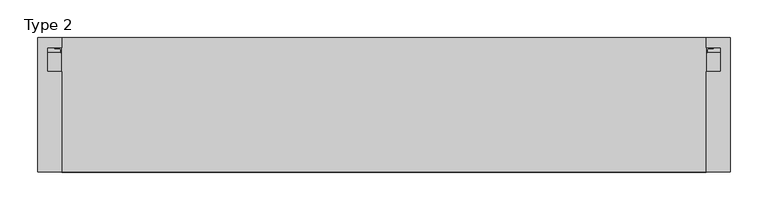
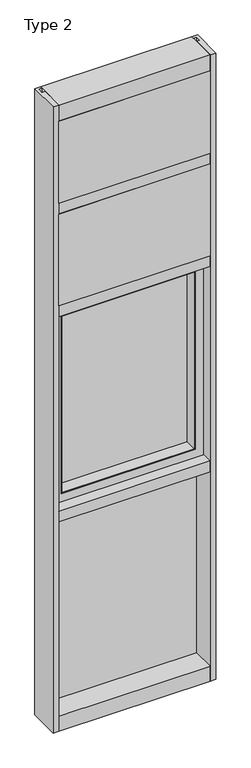
"""IFC4 building model written with IfcOpenShell, lengths in millimetres: plate geometry, Type 2."""

import ifcopenshell
import ifcopenshell.guid

model = None  # the IFC model being written
_history = None  # IfcOwnerHistory: only IFC2X3 demands one
_inside = {}  # id of a spatial element -> (the spatial element, [elements in it])
_under = {}  # id of a project, library or spatial element -> (it, [spatial elements below it])
_declared = {}  # id of a project -> (the project, [libraries it declares])
_typed = {}  # id of a type object -> (the type object, [elements of that type])
_made_of = {}  # id of a material, layer set ... -> (it, [elements and type objects made of it])


def new_model(schema):
    """Start an empty IFC model of exactly this schema.

    Asked for "IFC4X3", IfcOpenShell would pick the latest addendum, in which some entities
    have other attributes; the version numbers below select the first issue.
    IFC2X3 requires an IfcOwnerHistory on every rooted entity: one is made here for all.
    """
    global model, _history
    if schema == "IFC4X3":
        model = ifcopenshell.file(schema_version=(4, 3, 0, 0))
    else:
        model = ifcopenshell.file(schema=schema)
    _inside.clear()
    _under.clear()
    _declared.clear()
    _typed.clear()
    _made_of.clear()
    _history = None
    if model.schema == "IFC2X3":
        org = make("IfcOrganization", Name="unknown")
        user = make(
            "IfcPersonAndOrganization",
            ThePerson=make("IfcPerson", FamilyName="unknown"),
            TheOrganization=org,
        )
        app = make(
            "IfcApplication",
            ApplicationDeveloper=org,
            Version="unknown",
            ApplicationFullName="unknown",
            ApplicationIdentifier="unknown",
        )
        _history = make(
            "IfcOwnerHistory",
            OwningUser=user,
            OwningApplication=app,
            ChangeAction="ADDED",
            CreationDate=0,
        )
    return model


def make(cls, **values):
    """One entity of the class cls with the attributes given. An attribute that is None is left unset."""
    return model.create_entity(
        cls, **{name: value for name, value in values.items() if value is not None}
    )


def rooted(cls, **values):
    """An entity with a GlobalId (a new one), such as an element, a storey or a relation."""
    return make(cls, GlobalId=ifcopenshell.guid.new(), OwnerHistory=_history, **values)


def si_unit(unit_type, name, prefix=None):
    """IfcSIUnit, for example si_unit("LENGTHUNIT", "METRE", prefix="MILLI")."""
    return make("IfcSIUnit", UnitType=unit_type, Prefix=prefix, Name=name)


def assignment(units):
    """IfcUnitAssignment: the units of a project."""
    return None if units is None else make("IfcUnitAssignment", Units=units)


def point(xyz):
    """IfcCartesianPoint."""
    return None if xyz is None else make("IfcCartesianPoint", Coordinates=xyz)


def direction(xyz):
    """IfcDirection."""
    return None if xyz is None else make("IfcDirection", DirectionRatios=xyz)


def frame(location, z_axis=None, x_axis=None):
    """IfcAxis2Placement3D, a coordinate frame: its origin and axes. An axis left out is left unset."""
    return make(
        "IfcAxis2Placement3D",
        Location=point(location),
        Axis=direction(z_axis),
        RefDirection=direction(x_axis),
    )


def frame_2d(location, x_axis=None):
    """IfcAxis2Placement2D, a coordinate frame in the plane: its origin and x axis."""
    return make(
        "IfcAxis2Placement2D", Location=point(location), RefDirection=direction(x_axis)
    )


def origin():
    """The frame at (0, 0, 0) with its axes left unset."""
    return frame((0.0, 0.0, 0.0))


def place(relative_to, where):
    """IfcLocalPlacement: puts the frame where relative to a parent placement (None: the world)."""
    return make(
        "IfcLocalPlacement", PlacementRelTo=relative_to, RelativePlacement=where
    )


def context(
    kind, dimensions, precision=None, world=None, true_north=None, identifier=None
):
    """IfcGeometricRepresentationContext, for example the 3D "Model" context."""
    return make(
        "IfcGeometricRepresentationContext",
        ContextIdentifier=identifier,
        ContextType=kind,
        CoordinateSpaceDimension=dimensions,
        Precision=precision,
        WorldCoordinateSystem=world,
        TrueNorth=true_north,
    )


def project(units=None, contexts=None):
    """IfcProject with its units and contexts."""
    return rooted(
        "IfcProject",
        Name="project",
        RepresentationContexts=contexts,
        UnitsInContext=assignment(units),
    )


def spatial(cls, under=None, at=None, **own):
    """A site, building, storey or space (cls), placed at a placement, below another one or the project."""
    s = rooted(cls, ObjectPlacement=at, **own)
    if under is not None:
        _under.setdefault(under.id(), (under, []))[1].append(s)
    return s


def polyline(points):
    """IfcPolyline through the points."""
    return make("IfcPolyline", Points=[point(p) for p in points])


def circle_curve(where, radius):
    """IfcCircle in the frame where."""
    return make("IfcCircle", Position=where, Radius=radius)


def trimmed(basis, trim1, trim2, sense, master):
    """IfcTrimmedCurve: the piece of a basis curve between two trims."""
    return make(
        "IfcTrimmedCurve",
        BasisCurve=basis,
        Trim1=trim1,
        Trim2=trim2,
        SenseAgreement=sense,
        MasterRepresentation=master,
    )


def segment(curve, same_sense, transition):
    """IfcCompositeCurveSegment."""
    return make(
        "IfcCompositeCurveSegment",
        Transition=transition,
        SameSense=same_sense,
        ParentCurve=curve,
    )


def composite_curve(segments, self_intersect=None):
    """IfcCompositeCurve: segments joined end to end."""
    return make("IfcCompositeCurve", Segments=segments, SelfIntersect=self_intersect)


def outline(outer, holes=None, kind="AREA"):
    """IfcArbitraryClosedProfileDef: a profile drawn as a closed curve; with holes, ...WithVoids."""
    if holes is None:
        return make("IfcArbitraryClosedProfileDef", ProfileType=kind, OuterCurve=outer)
    return make(
        "IfcArbitraryProfileDefWithVoids",
        ProfileType=kind,
        OuterCurve=outer,
        InnerCurves=holes,
    )


def extrude(swept, where, along, depth):
    """IfcExtrudedAreaSolid: the profile swept, set in the frame where, extruded along a direction by depth."""
    return make(
        "IfcExtrudedAreaSolid",
        SweptArea=swept,
        Position=where,
        ExtrudedDirection=direction(along),
        Depth=depth,
    )


def faces_of(points, faces, orient=None, outer=None):
    """IfcFace entities. A face is a list of loops; a loop is a list of indices into points, from 0.

    orient and outer hold one flag for each loop. By default every Orientation is true, the
    first loop of a face is its IfcFaceOuterBound and the others are IfcFaceBound.
    """
    made = []
    for i, loops in enumerate(faces):
        bounds = []
        for j, loop in enumerate(loops):
            is_outer = j == 0 if outer is None else outer[i][j]
            bounds.append(
                make(
                    "IfcFaceOuterBound" if is_outer else "IfcFaceBound",
                    Bound=make("IfcPolyLoop", Polygon=[points[k] for k in loop]),
                    Orientation=True if orient is None else orient[i][j],
                )
            )
        made.append(make("IfcFace", Bounds=bounds))
    return made


def faceted_brep(points, faces, orient=None, outer=None, voids=None):
    """IfcFacetedBrep: a solid bounded by flat faces; with voids (closed shells), ...WithVoids."""
    shared = [point(p) for p in points]
    hull = make("IfcClosedShell", CfsFaces=faces_of(shared, faces, orient, outer))
    if voids is None:
        return make("IfcFacetedBrep", Outer=hull)
    return make(
        "IfcFacetedBrepWithVoids",
        Outer=hull,
        Voids=[
            make(cls, CfsFaces=faces_of(shared, fs, o, b)) for cls, fs, o, b in voids
        ],
    )


def shape(context_of_items, identifier, shape_type, items):
    """IfcShapeRepresentation: the items that make up one representation, for example the "Body"."""
    return make(
        "IfcShapeRepresentation",
        ContextOfItems=context_of_items,
        RepresentationIdentifier=identifier,
        RepresentationType=shape_type,
        Items=items,
    )


def source(mapping_origin, context_of_items, identifier, shape_type, items):
    """IfcRepresentationMap: a shape defined once, which mapped items show again and again."""
    return make(
        "IfcRepresentationMap",
        MappingOrigin=mapping_origin,
        MappedRepresentation=shape(context_of_items, identifier, shape_type, items),
    )


def transform(
    local_origin,
    x_axis=None,
    y_axis=None,
    z_axis=None,
    scale=None,
    scale2=None,
    scale3=None,
    uniform=True,
):
    """IfcCartesianTransformationOperator3D, or its non-uniform kind. x_axis, y_axis, z_axis: its Axis1, 2, 3."""
    if uniform:
        return make(
            "IfcCartesianTransformationOperator3D",
            Axis1=direction(x_axis),
            Axis2=direction(y_axis),
            LocalOrigin=point(local_origin),
            Scale=scale,
            Axis3=direction(z_axis),
        )
    return make(
        "IfcCartesianTransformationOperator3DnonUniform",
        Axis1=direction(x_axis),
        Axis2=direction(y_axis),
        LocalOrigin=point(local_origin),
        Scale=scale,
        Axis3=direction(z_axis),
        Scale2=scale2,
        Scale3=scale3,
    )


def mapped(mapping_source, mapping_target):
    """IfcMappedItem: shows the shape of a source again, moved by a transform."""
    return make(
        "IfcMappedItem", MappingSource=mapping_source, MappingTarget=mapping_target
    )


def made_of(thing, what):
    """Note that an element or type object is made of a material, layer set ...; save() writes the relation."""
    if what is not None:
        _made_of.setdefault(what.id(), (what, []))[1].append(thing)
    return thing


def element(
    cls,
    number,
    at=None,
    inside=None,
    cuts=None,
    type_object=None,
    material=None,
    context=None,
    identifier="Body",
    shape_type=None,
    held_by="IfcProductDefinitionShape",
    body=None,
    shapes=None,
    **own,
):
    """One element of the class cls, such as IfcWall. Its Tag is "e" and its number.

    at: its placement. inside: the storey or other place that contains it. cuts: it is an
    opening in that element (IfcRelVoidsElement). A single representation is given by context,
    identifier, shape_type and body (its items); several are given by shapes. held_by: the class
    of the entity that holds the representations. save() writes the other relations.
    """
    e = rooted(cls, Tag="e%d" % number, ObjectPlacement=at, **own)
    if body is not None:
        shapes = [shape(context, identifier, shape_type, body)]
    if shapes is not None:
        e.Representation = make(held_by, Representations=shapes)
    if inside is not None:
        _inside.setdefault(inside.id(), (inside, []))[1].append(e)
    if cuts is not None:
        rooted(
            "IfcRelVoidsElement", RelatingBuildingElement=cuts, RelatedOpeningElement=e
        )
    if type_object is not None:
        _typed.setdefault(type_object.id(), (type_object, []))[1].append(e)
    return made_of(e, material)


def aggregate(whole, parts):
    """IfcRelAggregates: a whole, such as a stair, and the parts it consists of."""
    return rooted("IfcRelAggregates", RelatingObject=whole, RelatedObjects=parts)


def save(model, path):
    """Write the relations noted so far, then the file.

    IfcRelAggregates (storeys below a building ...), IfcRelContainedInSpatialStructure (elements
    in a storey), IfcRelDefinesByType, IfcRelAssociatesMaterial and IfcRelDeclares: one each for
    every whole, place, type object, material and project.
    """
    for whole, parts in _under.values():
        aggregate(whole, parts)
    for where, things in _inside.values():
        rooted(
            "IfcRelContainedInSpatialStructure",
            RelatedElements=things,
            RelatingStructure=where,
        )
    for kind, things in _typed.values():
        rooted("IfcRelDefinesByType", RelatedObjects=things, RelatingType=kind)
    for what, things in _made_of.values():
        rooted("IfcRelAssociatesMaterial", RelatedObjects=things, RelatingMaterial=what)
    for by, libraries in _declared.values():
        rooted("IfcRelDeclares", RelatingContext=by, RelatedDefinitions=libraries)
    model.write(path)


def type_2_e748bb9e(model_context):
    return source(origin(), model_context, "Body", "SolidModel", [
        extrude(outline(polyline([(34.0360843, 3579.4782689), (34.0360843, 3568.7272341), (27.686, 3566.9739421), (27.686, 3579.4782689), (34.0360843, 3579.4782689)])), frame((-444.5, 0.0, 0.0), z_axis=(1.0, 0.0, 0.0), x_axis=(0.0, 1.0, 0.0)), (0.0, 0.0, 1.0), 889.0),
        extrude(outline(composite_curve([segment(polyline([(-425.9374462, 27.686), (-426.9039521, 27.686), (-426.9314595, 31.7563748)]), True, "CONTINUOUS"), segment(trimmed(circle_curve(frame_2d((-427.566445, 31.7520836)), 0.635), [point((-426.9314595, 31.7563748))], [point((-427.5313642, 32.3861138))], True, "CARTESIAN"), True, "CONTINUOUS"), segment(polyline([(-427.5313642, 32.3861138), (-434.2867251, 32.7598869)]), True, "CONTINUOUS"), segment(trimmed(circle_curve(frame_2d((-434.1041718, 33.7593519)), 1.016), [point((-434.2867251, 32.7598869))], [point((-435.0817504, 34.0361122))], False, "CARTESIAN"), True, "CONTINUOUS"), segment(polyline([(-435.0817504, 34.0361122), (-425.5265008, 34.0361122), (-425.9374462, 27.686)]), True, "CONTINUOUS")], self_intersect=False)), frame((0.0, 0.0, 3068.9728643), z_axis=(0.0, 0.0, 1.0), x_axis=(1.0, 0.0, 0.0)), (0.0, 0.0, 1.0), 518.7771357),
        extrude(outline(composite_curve([segment(polyline([(425.9374462, 27.686), (425.5265008, 34.0361122), (435.0817504, 34.0361122)]), True, "CONTINUOUS"), segment(trimmed(circle_curve(frame_2d((434.1041718, 33.7593519)), 1.016), [point((435.0817504, 34.0361122))], [point((434.2867251, 32.7598869))], False, "CARTESIAN"), True, "CONTINUOUS"), segment(polyline([(434.2867251, 32.7598869), (427.5313642, 32.3861138)]), True, "CONTINUOUS"), segment(trimmed(circle_curve(frame_2d((427.566445, 31.7520836)), 0.635), [point((427.5313642, 32.3861138))], [point((426.9314595, 31.7563748))], True, "CARTESIAN"), True, "CONTINUOUS"), segment(polyline([(426.9314595, 31.7563748), (426.9039521, 27.686), (425.9374462, 27.686)]), True, "CONTINUOUS")], self_intersect=False)), frame((0.0, 0.0, 3068.9728643), z_axis=(0.0, 0.0, 1.0), x_axis=(1.0, 0.0, 0.0)), (0.0, 0.0, 1.0), 518.7771357),
        extrude(outline(polyline([(34.0361122, 3068.9728643), (27.686, 3068.9728643), (27.686, 3081.4771952), (34.0361122, 3079.7238955), (34.0361122, 3068.9728643)])), frame((-435.0817504, 0.0, 0.0), z_axis=(1.0, 0.0, 0.0), x_axis=(0.0, 1.0, 0.0)), (0.0, 0.0, 1.0), 870.1635007),
        extrude(outline(polyline([(427.0375, -48.6030703), (425.45, -131.0159103), (-425.45, -131.0159103), (-427.0375, -48.6030703), (427.0375, -48.6030703)])), frame((0.0, 0.0, 3079.75), z_axis=(0.0, 0.0, 1.0), x_axis=(1.0, 0.0, 0.0)), (0.0, 0.0, 1.0), 488.95),
        extrude(outline(polyline([(-444.5, 27.686), (444.5, 27.686), (444.5, 2.286), (-444.5, 2.286), (-444.5, 27.686)])), frame((0.0, 0.0, 3060.7), z_axis=(0.0, 0.0, 1.0), x_axis=(1.0, 0.0, 0.0)), (0.0, 0.0, 1.0), 527.05),
        extrude(outline(composite_curve([segment(polyline([(34.0360974, 3027.0282838), (34.0360974, 3016.1659828)]), True, "CONTINUOUS"), segment(trimmed(circle_curve(frame_2d((38.5198748, 2991.1648681)), 25.4), [point((34.0360974, 3016.1659828))], [point((27.686, 3014.1384868))], True, "CARTESIAN"), True, "CONTINUOUS"), segment(polyline([(27.686, 3014.1384868), (27.686, 3027.0282838), (34.0360974, 3027.0282838)]), True, "CONTINUOUS")], self_intersect=False)), frame((-444.5, 0.0, 0.0), z_axis=(1.0, 0.0, 0.0), x_axis=(0.0, 1.0, 0.0)), (0.0, 0.0, 1.0), 889.0),
        extrude(outline(composite_curve([segment(polyline([(-425.5265008, 34.0361122), (-425.9374462, 27.686), (-426.9039521, 27.686), (-426.9314595, 31.7563748)]), True, "CONTINUOUS"), segment(trimmed(circle_curve(frame_2d((-427.566445, 31.7520836)), 0.635), [point((-426.9314595, 31.7563748))], [point((-427.5313642, 32.3861138))], True, "CARTESIAN"), True, "CONTINUOUS"), segment(polyline([(-427.5313642, 32.3861138), (-434.2867251, 32.7598869)]), True, "CONTINUOUS"), segment(trimmed(circle_curve(frame_2d((-434.1041718, 33.7593519)), 1.016), [point((-434.2867251, 32.7598869))], [point((-435.0817504, 34.0361122))], False, "CARTESIAN"), True, "CONTINUOUS"), segment(polyline([(-435.0817504, 34.0361122), (-425.5265008, 34.0361122)]), True, "CONTINUOUS")], self_intersect=False)), frame((0.0, 0.0, 2459.3728643), z_axis=(0.0, 0.0, 1.0), x_axis=(1.0, 0.0, 0.0)), (0.0, 0.0, 1.0), 575.9271357),
        extrude(outline(composite_curve([segment(polyline([(425.9374462, 27.686), (425.5265008, 34.0361122), (435.0817504, 34.0361122)]), True, "CONTINUOUS"), segment(trimmed(circle_curve(frame_2d((434.1041718, 33.7593519)), 1.016), [point((435.0817504, 34.0361122))], [point((434.2867251, 32.7598869))], False, "CARTESIAN"), True, "CONTINUOUS"), segment(polyline([(434.2867251, 32.7598869), (427.5313642, 32.3861138)]), True, "CONTINUOUS"), segment(trimmed(circle_curve(frame_2d((427.566445, 31.7520836)), 0.635), [point((427.5313642, 32.3861138))], [point((426.9314595, 31.7563748))], True, "CARTESIAN"), True, "CONTINUOUS"), segment(polyline([(426.9314595, 31.7563748), (426.9039521, 27.686), (425.9374462, 27.686)]), True, "CONTINUOUS")], self_intersect=False)), frame((0.0, 0.0, 2459.3728643), z_axis=(0.0, 0.0, 1.0), x_axis=(1.0, 0.0, 0.0)), (0.0, 0.0, 1.0), 575.9271357),
        extrude(outline(polyline([(34.0361122, 2459.3728643), (27.686, 2459.3728643), (27.686, 2471.8771952), (34.0361122, 2470.1238955), (34.0361122, 2459.3728643)])), frame((-435.0817504, 0.0, 0.0), z_axis=(1.0, 0.0, 0.0), x_axis=(0.0, 1.0, 0.0)), (0.0, 0.0, 1.0), 870.1635007),
        extrude(outline(polyline([(425.45, -48.514), (425.45, -131.0159103), (-425.45, -131.0159103), (-425.45, -48.514), (425.45, -48.514)])), frame((0.0, 0.0, 2470.15), z_axis=(0.0, 0.0, 1.0), x_axis=(1.0, 0.0, 0.0)), (0.0, 0.0, 1.0), 546.1),
        extrude(outline(polyline([(444.5, 27.686), (444.5, 2.286), (-444.5, 2.286), (-444.5, 27.686), (444.5, 27.686)])), frame((0.0, 0.0, 2451.1), z_axis=(0.0, 0.0, 1.0), x_axis=(1.0, 0.0, 0.0)), (0.0, 0.0, 1.0), 584.2),
        extrude(outline(polyline([(-457.2, -130.5814), (-457.2, 47.2186), (-425.4489108, 47.2186), (-425.4489108, 34.036), (-444.5, 34.036), (-444.5, 2.286), (-425.45, 2.286), (-425.45, -130.5814), (-457.2, -130.5814)])), frame((0.0, 0.0, -57.15), z_axis=(0.0, 0.0, 1.0), x_axis=(1.0, 0.0, 0.0)), (0.0, 0.0, 1.0), 3721.1),
        extrude(outline(polyline([(457.2, -130.5814), (425.45, -130.5814), (425.45, 2.286), (444.5, 2.286), (444.5, 34.036), (425.4489108, 34.036), (425.4489108, 47.2186), (457.2, 47.2186), (457.2, -130.5814)])), frame((0.0, 0.0, -57.15), z_axis=(0.0, 0.0, 1.0), x_axis=(1.0, 0.0, 0.0)), (0.0, 0.0, 1.0), 3721.1),
        faceted_brep([(-425.45, 26.9875, 2406.65), (425.45, 26.9875, 2406.65), (425.45, 26.9875, 1250.95), (-425.45, 26.9875, 1250.95), (-400.06905, 26.9875, 1276.33095), (400.06905, 26.9875, 1276.33095), (400.06905, 26.9875, 2381.26905), (-400.06905, 26.9875, 2381.26905), (400.06905, 1.5875, 1276.33095), (-400.06905, 1.5875, 1276.33095), (409.575, -66.0939347, 1266.825), (409.575, -12.4174268, 1266.825), (-409.575, -12.4174268, 1266.825), (-409.575, -66.0939347, 1266.825), (425.45, -68.2529804, 1250.95), (-425.45, -68.2529804, 1250.95), (392.1125, -7.9279804, 2373.3125), (392.1125, -63.4904804, 2373.3125), (392.1125, -63.4904804, 1284.2875), (392.1125, -7.9279804, 1284.2875), (407.6336465, -12.4174268, 2388.8336465), (407.6336465, -7.9279804, 2388.8336465), (407.6336465, -7.9279804, 1268.7663535), (407.6336465, -12.4174268, 1268.7663535), (409.575, -66.0939347, 2390.775), (409.575, -12.4174268, 2390.775), (-392.1125, -7.9279804, 2373.3125), (-392.1125, -63.4904804, 2373.3125), (-407.6336465, -12.4174268, 2388.8336465), (-407.6336465, -7.9279804, 2388.8336465), (-409.575, -66.0939347, 2390.775), (-409.575, -12.4174268, 2390.775), (-400.06905, 1.5875, 2381.26905), (-371.475, -68.2529804, 1304.925), (-371.475, 1.5875, 1304.925), (-371.475, 1.5875, 2352.675), (-371.475, -68.2529804, 2352.675), (-373.85625, -63.4904804, 1302.54375), (-373.85625, -68.2529804, 1302.54375), (-373.85625, -68.2529804, 2355.05625), (-373.85625, -63.4904804, 2355.05625), (-377.03125, -68.2529804, 1299.36875), (-377.03125, -66.0939347, 1299.36875), (-377.03125, -66.0939347, 2358.23125), (-377.03125, -68.2529804, 2358.23125), (-425.45, -68.2529804, 2406.65), (-392.1125, -7.9279804, 1284.2875), (-392.1125, -63.4904804, 1284.2875), (-407.6336465, -12.4174268, 1268.7663535), (-407.6336465, -7.9279804, 1268.7663535), (400.06905, 1.5875, 2381.26905), (371.475, 1.5875, 2352.675), (371.475, -68.2529804, 2352.675), (373.85625, -68.2529804, 2355.05625), (373.85625, -63.4904804, 2355.05625), (377.03125, -66.0939347, 2358.23125), (377.03125, -68.2529804, 2358.23125), (425.45, -68.2529804, 2406.65), (371.475, 1.5875, 1304.925), (371.475, -68.2529804, 1304.925), (373.85625, -68.2529804, 1302.54375), (373.85625, -63.4904804, 1302.54375), (377.03125, -66.0939347, 1299.36875), (377.03125, -68.2529804, 1299.36875)], [[[0, 1, 2, 3], [4, 5, 6, 7]], [[8, 5, 4, 9]], [[10, 11, 12, 13]], [[2, 14, 15, 3]], [[16, 17, 18, 19]], [[20, 21, 22, 23]], [[24, 25, 11, 10]], [[26, 27, 17, 16]], [[28, 29, 21, 20]], [[30, 31, 25, 24]], [[9, 4, 7, 32]], [[33, 34, 35, 36]], [[37, 38, 39, 40]], [[41, 42, 43, 44]], [[3, 15, 45, 0]], [[46, 47, 27, 26]], [[48, 49, 29, 28]], [[13, 12, 31, 30]], [[32, 7, 6, 50]], [[36, 35, 51, 52]], [[40, 39, 53, 54]], [[44, 43, 55, 56]], [[0, 45, 57, 1]], [[50, 6, 5, 8]], [[52, 51, 58, 59]], [[54, 53, 60, 61]], [[56, 55, 62, 63]], [[1, 57, 14, 2]], [[32, 50, 8, 9], [34, 58, 51, 35]], [[59, 58, 34, 33]], [[38, 60, 53, 39], [36, 52, 59, 33]], [[61, 60, 38, 37]], [[47, 18, 17, 27], [40, 54, 61, 37]], [[19, 18, 47, 46]], [[49, 22, 21, 29], [26, 16, 19, 46]], [[23, 22, 49, 48]], [[12, 11, 25, 31], [28, 20, 23, 48]], [[30, 24, 10, 13], [42, 62, 55, 43]], [[63, 62, 42, 41]], [[15, 14, 57, 45], [44, 56, 63, 41]]]),
        extrude(outline(polyline([(400.06905, 26.9875), (400.06905, 1.5875), (-400.06905, 1.5875), (-400.06905, 26.9875), (400.06905, 26.9875)])), frame((0.0, 0.0, 1276.33095), z_axis=(0.0, 0.0, 1.0), x_axis=(1.0, 0.0, 0.0)), (0.0, 0.0, 1.0), 1104.9381),
        extrude(outline(polyline([(27.686, 33.4752684), (34.036, 31.7219997), (34.036, 20.9709644), (27.686, 20.9709644), (27.686, 33.4752684)])), frame((-435.0828713, 0.0, 0.0), z_axis=(1.0, 0.0, 0.0), x_axis=(0.0, 1.0, 0.0)), (0.0, 0.0, 1.0), 870.1657427),
        extrude(outline(polyline([(27.6860992, 1198.2309356), (34.0360992, 1198.2309356), (34.0360992, 1187.4798775), (27.6860992, 1185.7266088), (27.6860992, 1198.2309356)])), frame((-435.0828713, 0.0, 0.0), z_axis=(1.0, 0.0, 0.0), x_axis=(0.0, 1.0, 0.0)), (0.0, 0.0, 1.0), 870.1657427),
        extrude(outline(composite_curve([segment(trimmed(circle_curve(frame_2d((-427.5675342, 31.7520836)), 0.635), [point((-426.9325487, 31.7563748))], [point((-427.5324534, 32.3861138))], True, "CARTESIAN"), True, "CONTINUOUS"), segment(polyline([(-427.5324534, 32.3861138), (-434.2878143, 32.7598869)]), True, "CONTINUOUS"), segment(trimmed(circle_curve(frame_2d((-434.1052611, 33.7593519)), 1.016), [point((-434.2878143, 32.7598869))], [point((-435.0828713, 34.036))], False, "CARTESIAN"), True, "CONTINUOUS"), segment(polyline([(-435.0828713, 34.036), (-425.5275972, 34.036), (-425.9385354, 27.686), (-426.9050413, 27.686), (-426.9325487, 31.7563748)]), True, "CONTINUOUS")], self_intersect=False)), frame((0.0, 0.0, 20.9709644), z_axis=(0.0, 0.0, 1.0), x_axis=(1.0, 0.0, 0.0)), (0.0, 0.0, 1.0), 1177.2580861),
        extrude(outline(composite_curve([segment(polyline([(425.9385354, 27.686), (425.5275972, 34.036), (435.0828713, 34.036)]), True, "CONTINUOUS"), segment(trimmed(circle_curve(frame_2d((434.1052611, 33.7593519)), 1.016), [point((435.0828713, 34.036))], [point((434.2878143, 32.7598869))], False, "CARTESIAN"), True, "CONTINUOUS"), segment(polyline([(434.2878143, 32.7598869), (427.5324534, 32.3861138)]), True, "CONTINUOUS"), segment(trimmed(circle_curve(frame_2d((427.5675342, 31.7520836)), 0.635), [point((427.5324534, 32.3861138))], [point((426.9325487, 31.7563748))], True, "CARTESIAN"), True, "CONTINUOUS"), segment(polyline([(426.9325487, 31.7563748), (426.9050413, 27.686), (425.9385354, 27.686)]), True, "CONTINUOUS")], self_intersect=False)), frame((0.0, 0.0, 20.9709644), z_axis=(0.0, 0.0, 1.0), x_axis=(1.0, 0.0, 0.0)), (0.0, 0.0, 1.0), 1177.2580861),
        extrude(outline(polyline([(444.5010892, 27.686), (444.5010892, 2.286), (-444.5010892, 2.286), (-444.5010892, 27.686), (444.5010892, 27.686)])), frame((0.0, 0.0, 12.6962001), z_axis=(0.0, 0.0, 1.0), x_axis=(1.0, 0.0, 0.0)), (0.0, 0.0, 1.0), 1193.8037999),
        extrude(outline(polyline([(0.0, 3079.75), (0.0, 3060.7), (34.13125, 3060.7), (34.13125, 3079.7462001), (46.83125, 3079.7462001), (46.83125, 3016.2462001), (34.13125, 3016.2462001), (34.13125, 3035.3), (0.0, 3035.3), (0.0, 3016.25), (-130.175, 3016.25), (-130.175, 3079.75), (0.0, 3079.75)])), frame((-425.45, 0.0, 0.0), z_axis=(1.0, 0.0, 0.0), x_axis=(0.0, 1.0, 0.0)), (0.0, 0.0, 1.0), 850.9),
        extrude(outline(polyline([(0.0, 2470.15), (0.0, 2451.1), (34.13125, 2451.1), (34.13125, 2470.1462001), (46.83125, 2470.1462001), (46.83125, 2406.6462001), (34.13125, 2406.6462001), (34.13125, 2425.7), (0.0, 2425.7), (0.0, 2406.65), (-130.175, 2406.65), (-130.175, 2470.15), (0.0, 2470.15)])), frame((-425.45, 0.0, 0.0), z_axis=(1.0, 0.0, 0.0), x_axis=(0.0, 1.0, 0.0)), (0.0, 0.0, 1.0), 850.9),
        extrude(outline(polyline([(47.2186297, 3663.95), (47.2186297, 3568.7), (34.13125, 3568.7), (34.13125, 3587.75), (0.0, 3587.75), (0.0, 3568.7), (-130.175, 3568.7), (-130.175, 3663.95), (47.2186297, 3663.95)])), frame((-425.45, 0.0, 0.0), z_axis=(1.0, 0.0, 0.0), x_axis=(0.0, 1.0, 0.0)), (0.0, 0.0, 1.0), 850.9),
        extrude(outline(polyline([(0.0, 1250.95), (0.0, 1231.9), (34.13125, 1231.9), (34.13125, 1250.9462001), (46.83125, 1250.9462001), (46.83125, 1187.4462001), (34.13125, 1187.4462001), (34.13125, 1206.5), (0.0, 1206.5), (0.0, 1187.45), (-130.175, 1187.45), (-130.175, 1250.95), (0.0, 1250.95)])), frame((-425.45, 0.0, 0.0), z_axis=(1.0, 0.0, 0.0), x_axis=(0.0, 1.0, 0.0)), (0.0, 0.0, 1.0), 850.9),
        extrude(outline(polyline([(0.0, 31.75), (0.0, 12.7), (34.13125, 12.7), (34.13125, 31.751832), (47.2186148, 31.751832), (47.2186148, -57.15), (-130.175, -57.15), (-130.175, 31.75), (0.0, 31.75)])), frame((-425.45, 0.0, 0.0), z_axis=(1.0, 0.0, 0.0), x_axis=(0.0, 1.0, 0.0)), (0.0, 0.0, 1.0), 850.9),
    ])


if __name__ == "__main__":
    model = new_model("IFC4")
    model_context = context("Model", 3, world=origin())
    ifc_project = project(units=[si_unit("LENGTHUNIT", "METRE", prefix="MILLI")], contexts=[model_context])
    site = spatial("IfcSite", under=ifc_project)
    building = spatial("IfcBuilding", under=site)
    placement = place(None, origin())
    type_2_shape = type_2_e748bb9e(model_context)
    element("IfcPlate", 1, ObjectType="Type 2", at=placement, inside=building, context=model_context, shape_type="MappedRepresentation", body=[
        mapped(type_2_shape, transform((0.0, 0.0, 0.0), x_axis=(1.0, 0.0, 0.0), y_axis=(0.0, 1.0, 0.0), z_axis=(0.0, 0.0, 1.0))),
    ])
    save(model, "model.ifc")
